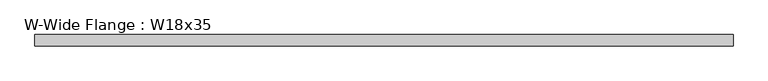
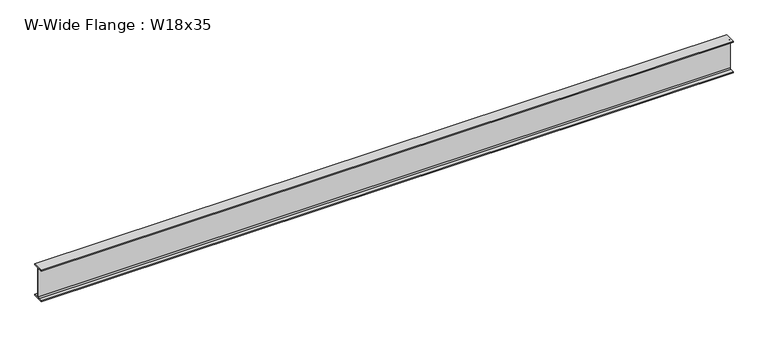
"""IFC4 building model written with IfcOpenShell, lengths in millimetres: beam geometry, W-Wide Flange : W18x35."""

from ifc_helpers import new_model, si_unit, point, frame, frame_2d, origin, place, context, project, spatial, polyline, circle_curve, trimmed, segment, composite_curve, outline, extrude, source, transform, mapped, element, save


def w_wide_flange_w18x35_07b2ea57(model_context):
    return source(origin(), model_context, "Body", "SweptSolid", [
        extrude(outline(composite_curve([segment(polyline([(76.2, -213.995), (76.2, -224.79), (-76.2, -224.79), (-76.2, -213.995), (-21.59, -213.995)]), True, "CONTINUOUS"), segment(trimmed(circle_curve(frame_2d((-21.59, -196.215)), 17.78), [point((-21.59, -213.995))], [point((-3.81, -196.215))], True, "CARTESIAN"), True, "CONTINUOUS"), segment(polyline([(-3.81, -196.215), (-3.81, 196.215)]), True, "CONTINUOUS"), segment(trimmed(circle_curve(frame_2d((-21.59, 196.215)), 17.78), [point((-3.81, 196.215))], [point((-21.59, 213.995))], True, "CARTESIAN"), True, "CONTINUOUS"), segment(polyline([(-21.59, 213.995), (-76.2, 213.995), (-76.2, 224.79), (76.2, 224.79), (76.2, 213.995), (21.59, 213.995)]), True, "CONTINUOUS"), segment(trimmed(circle_curve(frame_2d((21.59, 196.215)), 17.78), [point((21.59, 213.995))], [point((3.81, 196.215))], True, "CARTESIAN"), True, "CONTINUOUS"), segment(polyline([(3.81, 196.215), (3.81, -196.215)]), True, "CONTINUOUS"), segment(trimmed(circle_curve(frame_2d((21.59, -196.215)), 17.78), [point((3.81, -196.215))], [point((21.59, -213.995))], True, "CARTESIAN"), True, "CONTINUOUS"), segment(polyline([(21.59, -213.995), (76.2, -213.995)]), True, "CONTINUOUS")], self_intersect=False)), frame((-4710.5593036, 0.0, 0.0), z_axis=(1.0, 0.0, 0.0), x_axis=(0.0, 1.0, 0.0)), (0.0, 0.0, 1.0), 9423.6586072),
    ])


if __name__ == "__main__":
    model = new_model("IFC4")
    model_context = context("Model", 3, world=origin())
    ifc_project = project(units=[si_unit("LENGTHUNIT", "METRE", prefix="MILLI")], contexts=[model_context])
    site = spatial("IfcSite", under=ifc_project)
    building = spatial("IfcBuilding", under=site)
    placement = place(None, origin())
    w_wide_flange_w18x35_shape = w_wide_flange_w18x35_07b2ea57(model_context)
    element("IfcBeam", 1, ObjectType="W-Wide Flange : W18x35", at=placement, inside=building, context=model_context, shape_type="MappedRepresentation", body=[
        mapped(w_wide_flange_w18x35_shape, transform((0.0, 0.0, 0.0), x_axis=(1.0, 0.0, 0.0), y_axis=(0.0, 1.0, 0.0), z_axis=(0.0, 0.0, 1.0))),
    ])
    save(model, "model.ifc")
